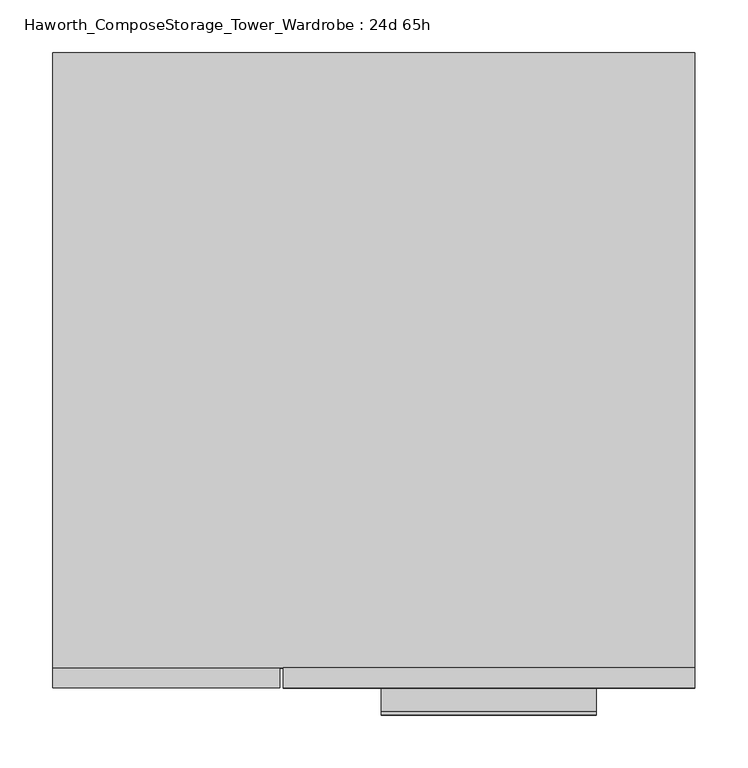
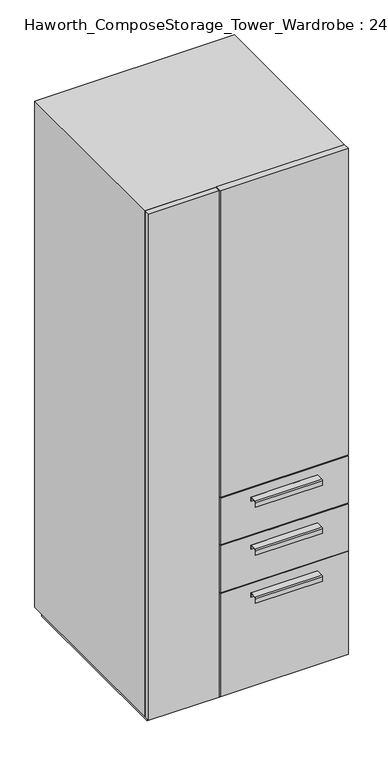
"""IFC4 building model written with IfcOpenShell, lengths in millimetres: furniture geometry, Haworth_ComposeStorage_Tower_Wardrobe : 24d 65h."""

from ifc_helpers import new_model, si_unit, point, frame, frame_2d, origin, origin_with_axes, place, context, project, spatial, polyline, circle_curve, trimmed, segment, composite_curve, outline, extrude, faceted_brep, source, transform, mapped, element, save


def haworth_composestorage_tower_wardrobe_24d_65h_eb852f47(model_context):
    return source(origin(), model_context, "Body", "SolidModel", [
        extrude(outline(composite_curve([segment(polyline([(-331.7875242, 633.9919215), (-309.5625, 633.9919215), (-309.5625, 620.5299525), (-310.3562742, 620.5299525), (-310.3562742, 633.1982199), (-331.7875242, 633.1982199)]), True, "CONTINUOUS"), segment(trimmed(circle_curve(frame_2d((-331.7875242, 630.8142808)), 2.3839392), [point((-331.7875242, 633.1982199))], [point((-334.1714634, 630.8142808))], True, "CARTESIAN"), True, "CONTINUOUS"), segment(polyline([(-334.1714634, 630.8142808), (-334.1714634, 616.2119021), (-334.9624758, 616.2119021), (-334.9624758, 630.8169699)]), True, "CONTINUOUS"), segment(trimmed(circle_curve(frame_2d((-331.7875242, 630.8169699)), 3.1749516), [point((-334.9624758, 630.8169699))], [point((-331.7875242, 633.9919215))], False, "CARTESIAN"), True, "CONTINUOUS")], self_intersect=False)), frame((7.1576406, 0.0, 0.0), z_axis=(1.0, 0.0, 0.0), x_axis=(0.0, 1.0, 0.0)), (0.0, 0.0, 1.0), 203.2),
        extrude(outline(polyline([(303.2263906, -290.5125), (303.2263906, -309.5625), (-85.7111094, -309.5625), (-85.7111094, -290.5125), (303.2263906, -290.5125)])), frame((0.0, 0.0, 512.7625), z_axis=(0.0, 0.0, 1.0), x_axis=(1.0, 0.0, 0.0)), (0.0, 0.0, 1.0), 150.8125),
        extrude(outline(composite_curve([segment(polyline([(-331.7875242, 480.0044215), (-309.5625, 480.0044215), (-309.5625, 466.5424525), (-310.3562742, 466.5424525), (-310.3562742, 479.2107199), (-331.7875242, 479.2107199)]), True, "CONTINUOUS"), segment(trimmed(circle_curve(frame_2d((-331.7875242, 476.8267808)), 2.3839392), [point((-331.7875242, 479.2107199))], [point((-334.1714634, 476.8267808))], True, "CARTESIAN"), True, "CONTINUOUS"), segment(polyline([(-334.1714634, 476.8267808), (-334.1714634, 462.2244021), (-334.9624758, 462.2244021), (-334.9624758, 476.8294699)]), True, "CONTINUOUS"), segment(trimmed(circle_curve(frame_2d((-331.7875242, 476.8294699)), 3.1749516), [point((-334.9624758, 476.8294699))], [point((-331.7875242, 480.0044215))], False, "CARTESIAN"), True, "CONTINUOUS")], self_intersect=False)), frame((7.1576406, 0.0, 0.0), z_axis=(1.0, 0.0, 0.0), x_axis=(0.0, 1.0, 0.0)), (0.0, 0.0, 1.0), 203.2),
        extrude(outline(polyline([(303.2263906, -290.5125), (303.2263906, -309.5625), (-85.7111094, -309.5625), (-85.7111094, -290.5125), (303.2263906, -290.5125)])), frame((0.0, 0.0, 358.775), z_axis=(0.0, 0.0, 1.0), x_axis=(1.0, 0.0, 0.0)), (0.0, 0.0, 1.0), 150.8125),
        extrude(outline(composite_curve([segment(polyline([(-331.7875242, 326.0169215), (-309.5625, 326.0169215), (-309.5625, 312.5549525), (-310.3562742, 312.5549525), (-310.3562742, 325.2232199), (-331.7875242, 325.2232199)]), True, "CONTINUOUS"), segment(trimmed(circle_curve(frame_2d((-331.7875242, 322.8392808)), 2.3839392), [point((-331.7875242, 325.2232199))], [point((-334.1714634, 322.8392808))], True, "CARTESIAN"), True, "CONTINUOUS"), segment(polyline([(-334.1714634, 322.8392808), (-334.1714634, 308.2369021), (-334.9624758, 308.2369021), (-334.9624758, 322.8419699)]), True, "CONTINUOUS"), segment(trimmed(circle_curve(frame_2d((-331.7875242, 322.8419699)), 3.1749516), [point((-334.9624758, 322.8419699))], [point((-331.7875242, 326.0169215))], False, "CARTESIAN"), True, "CONTINUOUS")], self_intersect=False)), frame((7.1576406, 0.0, 0.0), z_axis=(1.0, 0.0, 0.0), x_axis=(0.0, 1.0, 0.0)), (0.0, 0.0, 1.0), 203.2),
        extrude(outline(polyline([(303.2263906, -290.5125), (303.2263906, -309.5625), (-85.7111094, -309.5625), (-85.7111094, -290.5125), (303.2263906, -290.5125)])), frame((0.0, 0.0, 25.4), z_axis=(0.0, 0.0, 1.0), x_axis=(1.0, 0.0, 0.0)), (0.0, 0.0, 1.0), 330.2),
        extrude(outline(polyline([(303.2263906, -290.5125), (303.2263906, -309.5625), (-85.7111094, -309.5625), (-85.7111094, -290.5125), (303.2263906, -290.5125)])), frame((0.0, 0.0, 666.75), z_axis=(0.0, 0.0, 1.0), x_axis=(1.0, 0.0, 0.0)), (0.0, 0.0, 1.0), 984.25),
        faceted_brep([(-303.1986094, -290.5125, 25.4), (303.2263906, -290.5125, 25.4), (303.2263906, -290.5125, 1651.0), (-303.1986094, -290.5125, 1651.0), (-284.1486094, -290.5125, 44.45), (-284.1486094, -290.5125, 1631.95), (284.1694453, -290.5125, 1631.95), (284.1694453, -290.5125, 44.45), (-303.1986094, 290.5125, 25.4), (-303.1986094, 290.5125, 1651.0), (303.2263906, 290.5125, 1651.0), (303.2263906, 290.5125, 25.4), (-284.1486094, 271.4625, 44.45), (-284.1486094, 271.4625, 1631.95), (284.1694453, 271.4625, 1631.95), (284.1694453, 271.4625, 44.45)], [[[0, 1, 2, 3], [4, 5, 6, 7]], [[8, 9, 10, 11]], [[1, 0, 8, 11]], [[2, 1, 11, 10]], [[3, 2, 10, 9]], [[0, 3, 9, 8]], [[5, 4, 12, 13]], [[6, 5, 13, 14]], [[7, 6, 14, 15]], [[4, 7, 15, 12]], [[13, 12, 15, 14]]]),
        extrude(outline(polyline([(290.5263906, -277.8125), (-290.4986094, -277.8125), (-290.4986094, 277.8125), (290.5263906, 277.8125), (290.5263906, -277.8125)])), origin_with_axes(), (0.0, 0.0, 1.0), 25.4),
        extrude(outline(polyline([(-303.1986094, -309.5625), (-303.1986094, -290.5125), (-88.8861094, -290.5125), (-88.8861094, -309.5625), (-303.1986094, -309.5625)])), frame((0.0, 0.0, 25.4), z_axis=(0.0, 0.0, 1.0), x_axis=(1.0, 0.0, 0.0)), (0.0, 0.0, 1.0), 1625.6),
    ])


if __name__ == "__main__":
    model = new_model("IFC4")
    model_context = context("Model", 3, world=origin())
    ifc_project = project(units=[si_unit("LENGTHUNIT", "METRE", prefix="MILLI")], contexts=[model_context])
    site = spatial("IfcSite", under=ifc_project)
    building = spatial("IfcBuilding", under=site)
    placement = place(None, origin())
    haworth_composestorage_tower_wardrobe_24d_65h_shape = haworth_composestorage_tower_wardrobe_24d_65h_eb852f47(model_context)
    element("IfcFurniture", 1, ObjectType="Haworth_ComposeStorage_Tower_Wardrobe : 24d 65h", at=placement, inside=building, context=model_context, shape_type="MappedRepresentation", body=[
        mapped(haworth_composestorage_tower_wardrobe_24d_65h_shape, transform((0.0, 0.0, 0.0), x_axis=(1.0, 0.0, 0.0), y_axis=(0.0, 1.0, 0.0), z_axis=(0.0, 0.0, 1.0))),
    ])
    save(model, "model.ifc")
